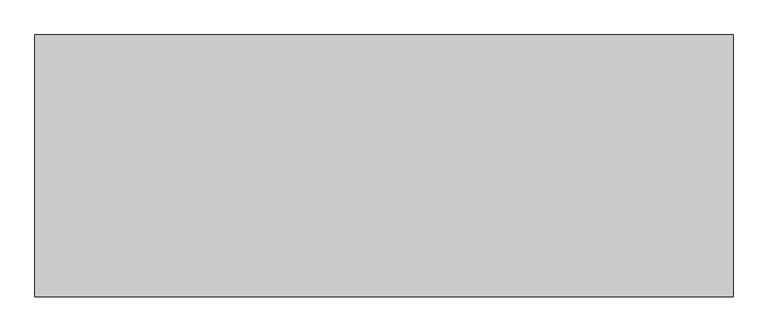
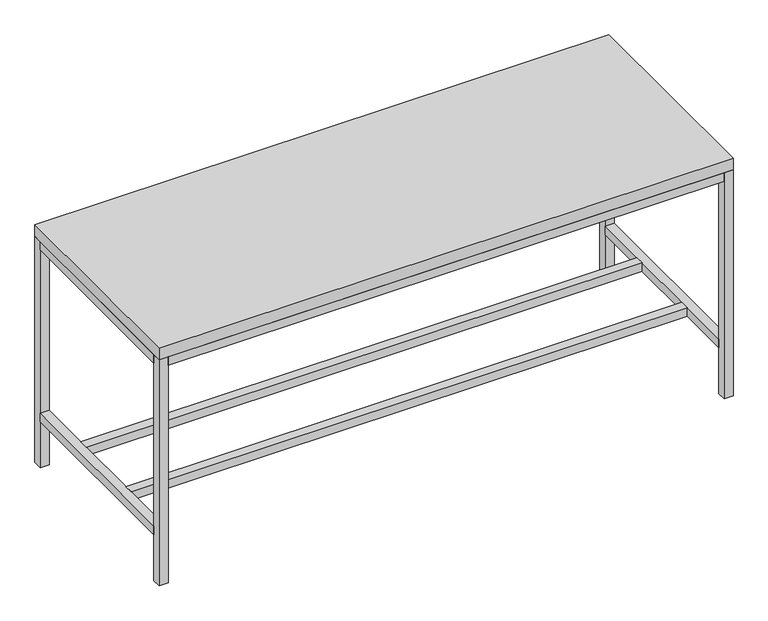
"""IFC4 building model written with IfcOpenShell, lengths in millimetres: furniture geometry."""

from ifc_helpers import new_model, si_unit, frame, origin, origin_with_axes, place, context, project, spatial, polyline, outline, extrude, source, transform, mapped, element, save


def furniture_a8514eeb(model_context):
    return source(origin(), model_context, "Body", "SweptSolid", [
        extrude(outline(polyline([(7251.7, -445.5973297), (4813.3, -445.5973297), (4813.3, 468.8026703), (7251.7, 468.8026703), (7251.7, -445.5973297)])), frame((0.0, 0.0, 1016.0), z_axis=(0.0, 0.0, 1.0), x_axis=(1.0, 0.0, 0.0)), (0.0, 0.0, 1.0), 50.8),
        extrude(outline(polyline([(7213.6, -172.5473297), (4851.4, -172.5473297), (4851.4, -134.4473297), (7213.6, -134.4473297), (7213.6, -172.5473297)])), frame((0.0, 0.0, 206.375), z_axis=(0.0, 0.0, 1.0), x_axis=(1.0, 0.0, 0.0)), (0.0, 0.0, 1.0), 38.1),
        extrude(outline(polyline([(7213.6, 157.6527578), (4851.4, 157.6527578), (4851.4, 195.7527578), (7213.6, 195.7527578), (7213.6, 157.6527578)])), frame((0.0, 0.0, 206.375), z_axis=(0.0, 0.0, 1.0), x_axis=(1.0, 0.0, 0.0)), (0.0, 0.0, 1.0), 38.1),
        extrude(outline(polyline([(7213.6, -407.4973297), (7213.6, -445.5973297), (4851.4, -445.5973297), (4851.4, -407.4973297), (7213.6, -407.4973297)])), frame((0.0, 0.0, 977.9), z_axis=(0.0, 0.0, 1.0), x_axis=(1.0, 0.0, 0.0)), (0.0, 0.0, 1.0), 38.1),
        extrude(outline(polyline([(4851.4, 468.8026703), (7213.6, 468.8026703), (7213.6, 430.7027578), (4851.4, 430.7027578), (4851.4, 468.8026703)])), frame((0.0, 0.0, 977.9), z_axis=(0.0, 0.0, 1.0), x_axis=(1.0, 0.0, 0.0)), (0.0, 0.0, 1.0), 38.1),
        extrude(outline(polyline([(7213.6, 430.7027578), (7251.7, 430.7027578), (7251.7, -407.4973297), (7213.6, -407.4973297), (7213.6, 430.7027578)])), frame((0.0, 0.0, 977.9), z_axis=(0.0, 0.0, 1.0), x_axis=(1.0, 0.0, 0.0)), (0.0, 0.0, 1.0), 38.1),
        extrude(outline(polyline([(7213.6, 430.7027578), (7251.7, 430.7027578), (7251.7, -407.4973297), (7213.6, -407.4973297), (7213.6, 430.7027578)])), frame((0.0, 0.0, 206.375), z_axis=(0.0, 0.0, 1.0), x_axis=(1.0, 0.0, 0.0)), (0.0, 0.0, 1.0), 38.1),
        extrude(outline(polyline([(4813.3, 430.7027578), (4851.4, 430.7027578), (4851.4, -407.4973297), (4813.3, -407.4973297), (4813.3, 430.7027578)])), frame((0.0, 0.0, 206.375), z_axis=(0.0, 0.0, 1.0), x_axis=(1.0, 0.0, 0.0)), (0.0, 0.0, 1.0), 38.1),
        extrude(outline(polyline([(4813.3, 430.7027578), (4851.4, 430.7027578), (4851.4, -407.4973297), (4813.3, -407.4973297), (4813.3, 430.7027578)])), frame((0.0, 0.0, 977.9), z_axis=(0.0, 0.0, 1.0), x_axis=(1.0, 0.0, 0.0)), (0.0, 0.0, 1.0), 38.1),
        extrude(outline(polyline([(7251.7, -445.5973297), (7213.6, -445.5973297), (7213.6, -407.4973297), (7251.7, -407.4973297), (7251.7, -445.5973297)])), origin_with_axes(), (0.0, 0.0, 1.0), 1016.0),
        extrude(outline(polyline([(7251.7, 430.7027578), (7213.6, 430.7027578), (7213.6, 468.8026703), (7251.7, 468.8026703), (7251.7, 430.7027578)])), origin_with_axes(), (0.0, 0.0, 1.0), 1016.0),
        extrude(outline(polyline([(4851.4, 430.7027578), (4813.3, 430.7027578), (4813.3, 468.8026703), (4851.4, 468.8026703), (4851.4, 430.7027578)])), origin_with_axes(), (0.0, 0.0, 1.0), 1016.0),
        extrude(outline(polyline([(4851.4, -445.5973297), (4813.3, -445.5973297), (4813.3, -407.4973297), (4851.4, -407.4973297), (4851.4, -445.5973297)])), origin_with_axes(), (0.0, 0.0, 1.0), 1016.0),
    ])


if __name__ == "__main__":
    model = new_model("IFC4")
    model_context = context("Model", 3, world=origin())
    ifc_project = project(units=[si_unit("LENGTHUNIT", "METRE", prefix="MILLI")], contexts=[model_context])
    site = spatial("IfcSite", under=ifc_project)
    building = spatial("IfcBuilding", under=site)
    placement = place(None, origin())
    furniture_shape = furniture_a8514eeb(model_context)
    element("IfcFurniture", 1, at=placement, inside=building, context=model_context, shape_type="MappedRepresentation", body=[
        mapped(furniture_shape, transform((0.0, 0.0, 0.0), x_axis=(1.0, 0.0, 0.0), y_axis=(0.0, 1.0, 0.0), z_axis=(0.0, 0.0, 1.0))),
    ])
    save(model, "model.ifc")
